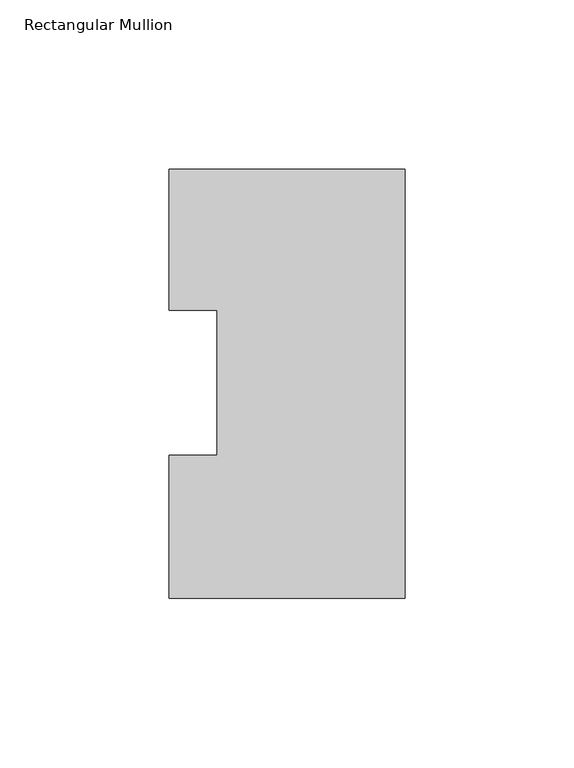
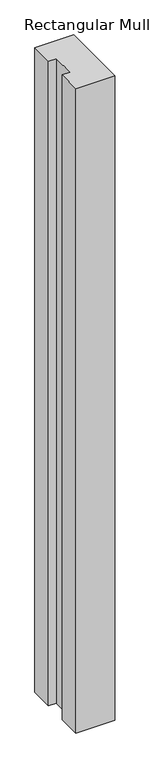
"""IFC4 building model written with IfcOpenShell, lengths in millimetres: member geometry, Rectangular Mullion."""

from ifc_helpers import new_model, si_unit, frame, origin, place, context, project, spatial, polyline, outline, extrude, source, transform, mapped, element, save


def rectangular_mullion_99cb8f1c(model_context):
    return source(origin(), model_context, "Body", "SweptSolid", [
        extrude(outline(polyline([(-69.85, 126.79045), (0.0, 126.79045), (0.0, -0.20955), (-69.85, -0.20955), (-69.85, 42.08145), (-55.5625, 42.08145), (-55.5625, 84.93125), (-69.85, 84.93125), (-69.85, 126.79045)])), frame((0.0, 0.0, -1219.2), z_axis=(0.0, 0.0, 1.0), x_axis=(1.0, 0.0, 0.0)), (0.0, 0.0, 1.0), 1219.2),
    ])


if __name__ == "__main__":
    model = new_model("IFC4")
    model_context = context("Model", 3, world=origin())
    ifc_project = project(units=[si_unit("LENGTHUNIT", "METRE", prefix="MILLI")], contexts=[model_context])
    site = spatial("IfcSite", under=ifc_project)
    building = spatial("IfcBuilding", under=site)
    placement = place(None, origin())
    rectangular_mullion_shape = rectangular_mullion_99cb8f1c(model_context)
    element("IfcMember", 1, ObjectType="Rectangular Mullion", at=placement, inside=building, context=model_context, shape_type="MappedRepresentation", body=[
        mapped(rectangular_mullion_shape, transform((0.0, 0.0, 0.0), x_axis=(1.0, 0.0, 0.0), y_axis=(0.0, 1.0, 0.0), z_axis=(0.0, 0.0, 1.0))),
    ])
    save(model, "model.ifc")
